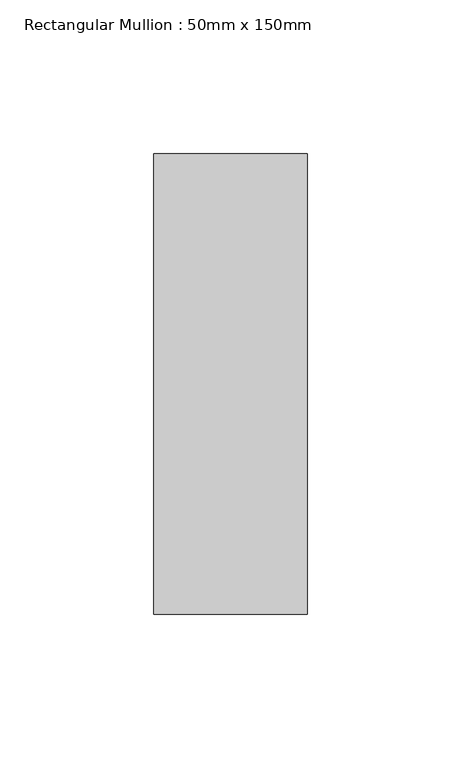
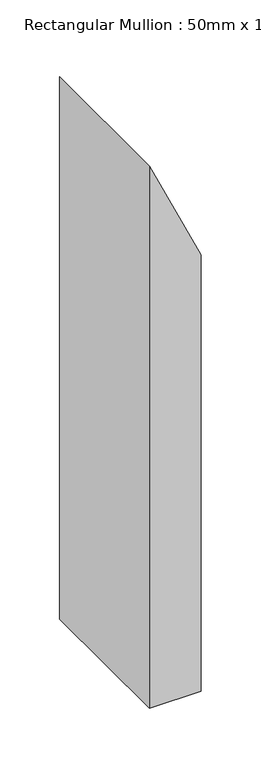
"""IFC4 building model written with IfcOpenShell, lengths in millimetres: member geometry, Rectangular Mullion : 50mm x 150mm."""

from ifc_helpers import new_model, si_unit, frame, origin, place, context, project, spatial, polyline, outline, extrude, source, transform, mapped, element, save


def rectangular_mullion_50mm_x_150mm_1dc943d7(model_context):
    return source(origin(), model_context, "Body", "SweptSolid", [
        extrude(outline(polyline([(-172.7055075, 25.0), (-64.9237238, -25.0), (-618.2837548, -25.0), (-618.2837548, 25.0), (-172.7055075, 25.0)])), frame((0.0, -75.0, 0.0), z_axis=(0.0, 1.0, 0.0), x_axis=(0.0, 0.0, 1.0)), (0.0, 0.0, 1.0), 150.0),
    ])


if __name__ == "__main__":
    model = new_model("IFC4")
    model_context = context("Model", 3, world=origin())
    ifc_project = project(units=[si_unit("LENGTHUNIT", "METRE", prefix="MILLI")], contexts=[model_context])
    site = spatial("IfcSite", under=ifc_project)
    building = spatial("IfcBuilding", under=site)
    placement = place(None, origin())
    rectangular_mullion_50mm_x_150mm_shape = rectangular_mullion_50mm_x_150mm_1dc943d7(model_context)
    element("IfcMember", 1, ObjectType="Rectangular Mullion : 50mm x 150mm", at=placement, inside=building, context=model_context, shape_type="MappedRepresentation", body=[
        mapped(rectangular_mullion_50mm_x_150mm_shape, transform((0.0, 0.0, 0.0), x_axis=(1.0, 0.0, 0.0), y_axis=(0.0, 1.0, 0.0), z_axis=(0.0, 0.0, 1.0))),
    ])
    save(model, "model.ifc")
